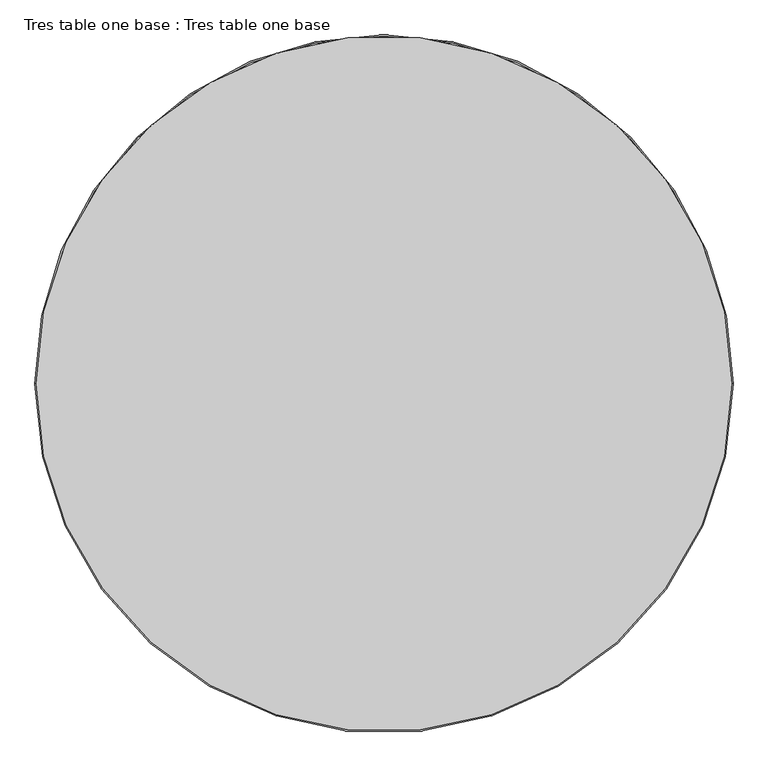
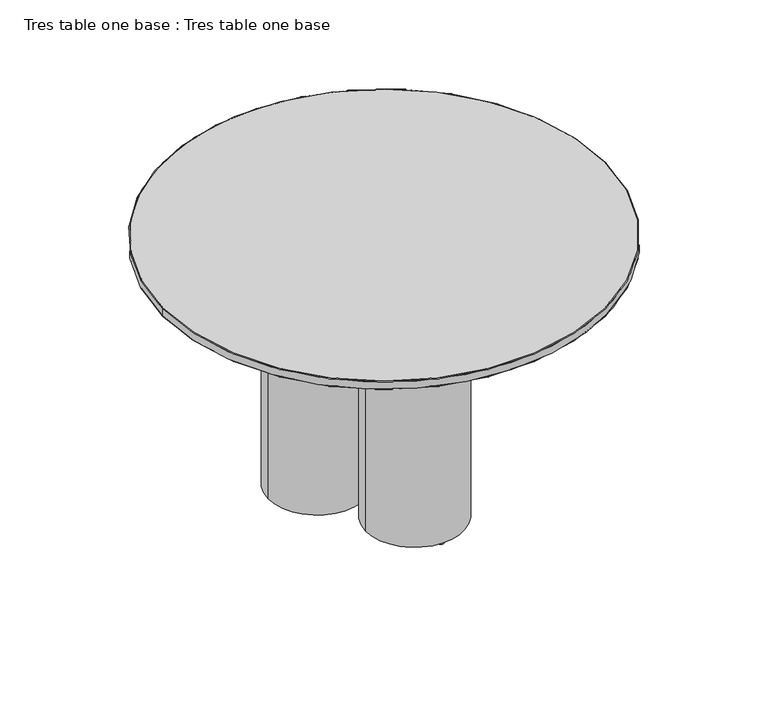
"""IFC4 building model written with IfcOpenShell, lengths in millimetres: furniture geometry, Tres table one base : Tres table one base."""

from ifc_helpers import new_model, si_unit, point, frame, frame_2d, origin, origin_with_axes, place, context, project, spatial, circle_curve, ellipse_curve, trimmed, segment, composite_curve, outline, extrude, source, transform, mapped, element, save
from ifc_brep_helpers import plane_surface, cylinder_surface, revolved_surface, advanced_brep


def tres_table_one_base_tres_table_one_base_7f6a28e5(model_context):
    return source(origin(), model_context, "Body", "SolidModel", [
        advanced_brep(
        [(-598.0, 0.0, 719.8873901), (598.0, 0.0, 719.8873901), (598.0, 0.0, 695.5123901), (-598.0, 0.0, 695.5123901), (600.0, 0.0, 717.8873901), (-600.0, 0.0, 717.8873901), (-600.0, 0.0, 697.5123901), (600.0, 0.0, 697.5123901)],
        [
            (0, 1, circle_curve(frame((0.0, 0.0, 719.8873901), z_axis=(0.0, 0.0, 1.0), x_axis=(1.0, 0.0, 0.0)), 598.0)),
            (1, 0, circle_curve(frame((0.0, 0.0, 719.8873901), z_axis=(0.0, 0.0, 1.0), x_axis=(-1.0, 0.0, 0.0)), 598.0)),
            (2, 3, circle_curve(frame((0.0, 0.0, 695.5123901), z_axis=(0.0, 0.0, -1.0), x_axis=(-1.0, 0.0, 0.0)), 598.0)),
            (3, 2, circle_curve(frame((0.0, 0.0, 695.5123901), z_axis=(0.0, 0.0, -1.0), x_axis=(1.0, 0.0, 0.0)), 598.0)),
            (4, 5, circle_curve(frame((0.0, 0.0, 717.8873901), z_axis=(0.0, 0.0, -1.0), x_axis=(1.0, 0.0, 0.0)), 600.0)),
            (5, 6),
            (6, 7, circle_curve(frame((0.0, 0.0, 697.5123901), z_axis=(0.0, 0.0, 1.0), x_axis=(1.0, 0.0, 0.0)), 600.0)),
            (7, 4),
            (5, 4, circle_curve(frame((0.0, 0.0, 717.8873901), z_axis=(0.0, 0.0, -1.0), x_axis=(1.0, 0.0, 0.0)), 600.0)),
            (7, 6, circle_curve(frame((0.0, 0.0, 697.5123901), z_axis=(0.0, 0.0, 1.0), x_axis=(1.0, 0.0, 0.0)), 600.0)),
            (0, 5, circle_curve(frame((-598.0, 0.0, 717.8873901), z_axis=(0.0, -1.0, 0.0), x_axis=(-1.0, 0.0, 0.0)), 2.0)),
            (4, 1, circle_curve(frame((598.0, 0.0, 717.8873901), z_axis=(0.0, -1.0, 0.0), x_axis=(1.0, 0.0, 0.0)), 2.0)),
            (2, 7, circle_curve(frame((598.0, 0.0, 697.5123901), z_axis=(0.0, -1.0, 0.0), x_axis=(1.0, 0.0, 0.0)), 2.0)),
            (6, 3, circle_curve(frame((-598.0, 0.0, 697.5123901), z_axis=(0.0, -1.0, 0.0), x_axis=(-1.0, 0.0, 0.0)), 2.0)),
        ],
        [
            plane_surface(frame((600.0, 0.0, 719.8873901), z_axis=(0.0, 0.0, 1.0), x_axis=(0.0, 1.0, 0.0))),
            plane_surface(frame((600.0, 0.0, 695.5123901), z_axis=(0.0, 0.0, -1.0), x_axis=(0.0, -1.0, 0.0))),
            cylinder_surface(frame((0.0, 0.0, 695.5123901), z_axis=(0.0, 0.0, 1.0), x_axis=(1.0, 0.0, 0.0)), 600.0),
            revolved_surface(trimmed(ellipse_curve(frame((598.0, 0.0, 717.8873901), z_axis=(0.0, 1.0, 0.0), x_axis=(1.0, 0.0, 0.0)), 2.0, 2.0), [point((598.0, 0.0, 719.8873901))], [point((600.0, 0.0, 717.8873901))], True, "CARTESIAN"), (0.0, 0.0, 719.8873901), (0.0, 0.0, -1.0)),
            revolved_surface(trimmed(ellipse_curve(frame((-598.0, 0.0, 717.8873901), z_axis=(0.0, -1.0, 0.0), x_axis=(-1.0, 0.0, 0.0)), 2.0, 2.0), [point((-598.0, 0.0, 719.8873901))], [point((-600.0, 0.0, 717.8873901))], True, "CARTESIAN"), (0.0, 0.0, 719.8873901), (0.0, 0.0, -1.0)),
            revolved_surface(trimmed(ellipse_curve(frame((-598.0, 0.0, 697.5123901), z_axis=(0.0, 1.0, 0.0), x_axis=(-1.0, 0.0, 0.0)), 2.0, 2.0), [point((-598.0, 0.0, 695.5123901))], [point((-600.0, 0.0, 697.5123901))], True, "CARTESIAN"), (0.0, 0.0, 695.5123901), (0.0, 0.0, 1.0)),
            revolved_surface(trimmed(ellipse_curve(frame((598.0, 0.0, 697.5123901), z_axis=(0.0, -1.0, 0.0), x_axis=(1.0, 0.0, 0.0)), 2.0, 2.0), [point((598.0, 0.0, 695.5123901))], [point((600.0, 0.0, 697.5123901))], True, "CARTESIAN"), (0.0, 0.0, 695.5123901), (0.0, 0.0, 1.0)),
        ],
        [
            (0, [[1, 2]]),
            (1, [[3, 4]]),
            (2, [[5, 6, 7, 8]]),
            (2, [[9, -8, 10, -6]]),
            (3, [[11, -5, 12, -1]]),
            (4, [[-11, -2, -12, -9]]),
            (5, [[13, -7, 14, -3]]),
            (6, [[-13, -4, -14, -10]]),
        ],
    ),
        extrude(outline(composite_curve([segment(trimmed(circle_curve(frame_2d((210.3483961, 163.3176379)), 8.5), [point((201.8483961, 163.3176379))], [point((218.8483961, 163.3176379))], False, "CARTESIAN"), True, "CONTINUOUS"), segment(trimmed(circle_curve(frame_2d((210.3483961, 163.3176379)), 8.5), [point((218.8483961, 163.3176379))], [point((201.8483961, 163.3176379))], False, "CARTESIAN"), True, "CONTINUOUS")], self_intersect=False)), origin_with_axes(), (0.0, 0.0, 1.0), 4.0),
        extrude(outline(composite_curve([segment(trimmed(circle_curve(frame_2d((54.5318572, 0.9068517)), 8.5), [point((46.0318572, 0.9068517))], [point((63.0318572, 0.9068517))], False, "CARTESIAN"), True, "CONTINUOUS"), segment(trimmed(circle_curve(frame_2d((54.5318572, 0.9068517)), 8.5), [point((63.0318572, 0.9068517))], [point((46.0318572, 0.9068517))], False, "CARTESIAN"), True, "CONTINUOUS")], self_intersect=False)), origin_with_axes(), (0.0, 0.0, 1.0), 4.0),
        extrude(outline(composite_curve([segment(trimmed(circle_curve(frame_2d((-0.0479539, -266.6276331)), 8.5), [point((-8.5479539, -266.6276331))], [point((8.4520461, -266.6276331))], False, "CARTESIAN"), True, "CONTINUOUS"), segment(trimmed(circle_curve(frame_2d((-0.0479539, -266.6276331)), 8.5), [point((8.4520461, -266.6276331))], [point((-8.5479539, -266.6276331))], False, "CARTESIAN"), True, "CONTINUOUS")], self_intersect=False)), origin_with_axes(), (0.0, 0.0, 1.0), 4.0),
        extrude(outline(composite_curve([segment(trimmed(circle_curve(frame_2d((-0.0479539, -24.6852442)), 8.5), [point((-8.5479539, -24.6852442))], [point((8.4520461, -24.6852442))], False, "CARTESIAN"), True, "CONTINUOUS"), segment(trimmed(circle_curve(frame_2d((-0.0479539, -24.6852442)), 8.5), [point((8.4520461, -24.6852442))], [point((-8.5479539, -24.6852442))], False, "CARTESIAN"), True, "CONTINUOUS")], self_intersect=False)), origin_with_axes(), (0.0, 0.0, 1.0), 4.0),
        extrude(outline(composite_curve([segment(trimmed(circle_curve(frame_2d((-53.2442317, 2.822145)), 8.5), [point((-61.7442317, 2.822145))], [point((-44.7442317, 2.822145))], False, "CARTESIAN"), True, "CONTINUOUS"), segment(trimmed(circle_curve(frame_2d((-53.2442317, 2.822145)), 8.5), [point((-44.7442317, 2.822145))], [point((-61.7442317, 2.822145))], False, "CARTESIAN"), True, "CONTINUOUS")], self_intersect=False)), origin_with_axes(), (0.0, 0.0, 1.0), 4.0),
        extrude(outline(composite_curve([segment(trimmed(circle_curve(frame_2d((-216.9253826, 166.7376709)), 8.5), [point((-225.4253826, 166.7376709))], [point((-208.4253826, 166.7376709))], False, "CARTESIAN"), True, "CONTINUOUS"), segment(trimmed(circle_curve(frame_2d((-216.9253826, 166.7376709)), 8.5), [point((-208.4253826, 166.7376709))], [point((-225.4253826, 166.7376709))], False, "CARTESIAN"), True, "CONTINUOUS")], self_intersect=False)), origin_with_axes(), (0.0, 0.0, 1.0), 4.0),
        extrude(outline(composite_curve([segment(trimmed(circle_curve(frame_2d((-0.5963059, -144.2995096)), 132.0), [point((-132.5963059, -144.2995096))], [point((131.4036941, -144.2995096))], False, "CARTESIAN"), True, "CONTINUOUS"), segment(trimmed(circle_curve(frame_2d((-0.5963059, -144.2995096)), 132.0), [point((131.4036941, -144.2995096))], [point((-132.5963059, -144.2995096))], False, "CARTESIAN"), True, "CONTINUOUS")], self_intersect=False), holes=[composite_curve([segment(trimmed(circle_curve(frame_2d((-0.5963059, -144.2995096)), 90.0), [point((-90.5963059, -144.2995096))], [point((89.4036941, -144.2995096))], True, "CARTESIAN"), True, "CONTINUOUS"), segment(trimmed(circle_curve(frame_2d((-0.5963059, -144.2995096)), 90.0), [point((89.4036941, -144.2995096))], [point((-90.5963059, -144.2995096))], True, "CARTESIAN"), True, "CONTINUOUS")], self_intersect=False)]), frame((0.0, 0.0, 4.0), z_axis=(0.0, 0.0, 1.0), x_axis=(1.0, 0.0, 0.0)), (0.0, 0.0, 1.0), 691.5123901),
        extrude(outline(composite_curve([segment(trimmed(circle_curve(frame_2d((131.2786941, 84.7004904)), 132.0), [point((-0.7213059, 84.7004904))], [point((263.2786941, 84.7004904))], False, "CARTESIAN"), True, "CONTINUOUS"), segment(trimmed(circle_curve(frame_2d((131.2786941, 84.7004904)), 132.0), [point((263.2786941, 84.7004904))], [point((-0.7213059, 84.7004904))], False, "CARTESIAN"), True, "CONTINUOUS")], self_intersect=False), holes=[composite_curve([segment(trimmed(circle_curve(frame_2d((131.2786941, 84.7004904)), 90.0), [point((41.2786941, 84.7004904))], [point((221.2786941, 84.7004904))], True, "CARTESIAN"), True, "CONTINUOUS"), segment(trimmed(circle_curve(frame_2d((131.2786941, 84.7004904)), 90.0), [point((221.2786941, 84.7004904))], [point((41.2786941, 84.7004904))], True, "CARTESIAN"), True, "CONTINUOUS")], self_intersect=False)]), frame((0.0, 0.0, 4.0), z_axis=(0.0, 0.0, 1.0), x_axis=(1.0, 0.0, 0.0)), (0.0, 0.0, 1.0), 691.5123901),
        extrude(outline(composite_curve([segment(trimmed(circle_curve(frame_2d((-132.7213059, 84.7004904)), 132.0), [point((-264.7213059, 84.7004904))], [point((-0.7213059, 84.7004904))], False, "CARTESIAN"), True, "CONTINUOUS"), segment(trimmed(circle_curve(frame_2d((-132.7213059, 84.7004904)), 132.0), [point((-0.7213059, 84.7004904))], [point((-264.7213059, 84.7004904))], False, "CARTESIAN"), True, "CONTINUOUS")], self_intersect=False), holes=[composite_curve([segment(trimmed(circle_curve(frame_2d((-132.7213059, 84.7004904)), 90.0), [point((-222.7213059, 84.7004904))], [point((-42.7213059, 84.7004904))], True, "CARTESIAN"), True, "CONTINUOUS"), segment(trimmed(circle_curve(frame_2d((-132.7213059, 84.7004904)), 90.0), [point((-42.7213059, 84.7004904))], [point((-222.7213059, 84.7004904))], True, "CARTESIAN"), True, "CONTINUOUS")], self_intersect=False)]), frame((0.0, 0.0, 4.0), z_axis=(0.0, 0.0, 1.0), x_axis=(1.0, 0.0, 0.0)), (0.0, 0.0, 1.0), 691.5123901),
    ])


if __name__ == "__main__":
    model = new_model("IFC4")
    model_context = context("Model", 3, world=origin())
    ifc_project = project(units=[si_unit("LENGTHUNIT", "METRE", prefix="MILLI")], contexts=[model_context])
    site = spatial("IfcSite", under=ifc_project)
    building = spatial("IfcBuilding", under=site)
    placement = place(None, origin())
    tres_table_one_base_tres_table_one_base_shape = tres_table_one_base_tres_table_one_base_7f6a28e5(model_context)
    element("IfcFurniture", 1, ObjectType="Tres table one base : Tres table one base", at=placement, inside=building, context=model_context, shape_type="MappedRepresentation", body=[
        mapped(tres_table_one_base_tres_table_one_base_shape, transform((0.0, 0.0, 0.0), x_axis=(1.0, 0.0, 0.0), y_axis=(0.0, 1.0, 0.0), z_axis=(0.0, 0.0, 1.0))),
    ])
    save(model, "model.ifc")
